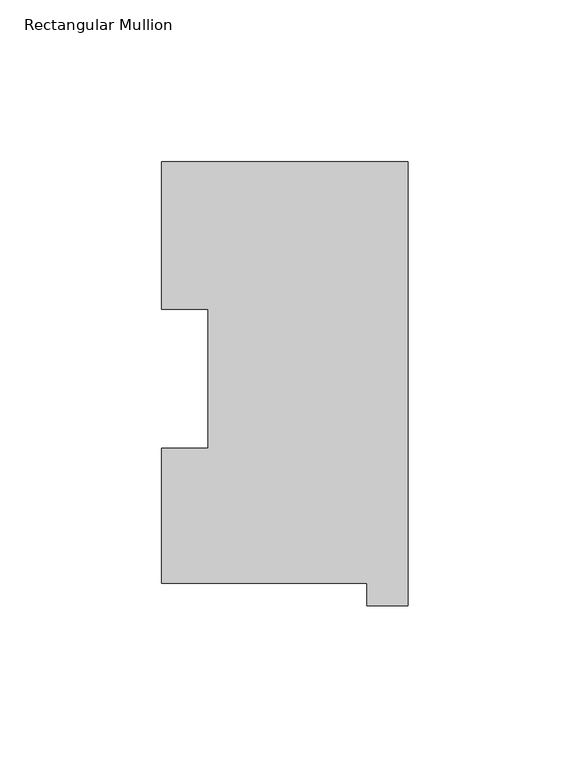
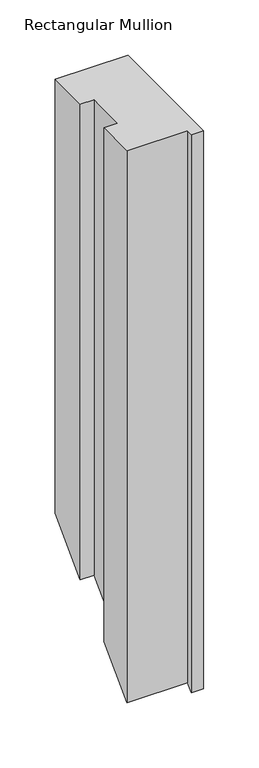
"""IFC4 building model written with IfcOpenShell, lengths in millimetres: member geometry, Rectangular Mullion."""

import ifcopenshell
import ifcopenshell.guid

model = None  # the IFC model being written
_history = None  # IfcOwnerHistory: only IFC2X3 demands one
_inside = {}  # id of a spatial element -> (the spatial element, [elements in it])
_under = {}  # id of a project, library or spatial element -> (it, [spatial elements below it])
_declared = {}  # id of a project -> (the project, [libraries it declares])
_typed = {}  # id of a type object -> (the type object, [elements of that type])
_made_of = {}  # id of a material, layer set ... -> (it, [elements and type objects made of it])


def new_model(schema):
    """Start an empty IFC model of exactly this schema.

    Asked for "IFC4X3", IfcOpenShell would pick the latest addendum, in which some entities
    have other attributes; the version numbers below select the first issue.
    IFC2X3 requires an IfcOwnerHistory on every rooted entity: one is made here for all.
    """
    global model, _history
    if schema == "IFC4X3":
        model = ifcopenshell.file(schema_version=(4, 3, 0, 0))
    else:
        model = ifcopenshell.file(schema=schema)
    _inside.clear()
    _under.clear()
    _declared.clear()
    _typed.clear()
    _made_of.clear()
    _history = None
    if model.schema == "IFC2X3":
        org = make("IfcOrganization", Name="unknown")
        user = make(
            "IfcPersonAndOrganization",
            ThePerson=make("IfcPerson", FamilyName="unknown"),
            TheOrganization=org,
        )
        app = make(
            "IfcApplication",
            ApplicationDeveloper=org,
            Version="unknown",
            ApplicationFullName="unknown",
            ApplicationIdentifier="unknown",
        )
        _history = make(
            "IfcOwnerHistory",
            OwningUser=user,
            OwningApplication=app,
            ChangeAction="ADDED",
            CreationDate=0,
        )
    return model


def make(cls, **values):
    """One entity of the class cls with the attributes given. An attribute that is None is left unset."""
    return model.create_entity(
        cls, **{name: value for name, value in values.items() if value is not None}
    )


def rooted(cls, **values):
    """An entity with a GlobalId (a new one), such as an element, a storey or a relation."""
    return make(cls, GlobalId=ifcopenshell.guid.new(), OwnerHistory=_history, **values)


def si_unit(unit_type, name, prefix=None):
    """IfcSIUnit, for example si_unit("LENGTHUNIT", "METRE", prefix="MILLI")."""
    return make("IfcSIUnit", UnitType=unit_type, Prefix=prefix, Name=name)


def assignment(units):
    """IfcUnitAssignment: the units of a project."""
    return None if units is None else make("IfcUnitAssignment", Units=units)


def point(xyz):
    """IfcCartesianPoint."""
    return None if xyz is None else make("IfcCartesianPoint", Coordinates=xyz)


def direction(xyz):
    """IfcDirection."""
    return None if xyz is None else make("IfcDirection", DirectionRatios=xyz)


def frame(location, z_axis=None, x_axis=None):
    """IfcAxis2Placement3D, a coordinate frame: its origin and axes. An axis left out is left unset."""
    return make(
        "IfcAxis2Placement3D",
        Location=point(location),
        Axis=direction(z_axis),
        RefDirection=direction(x_axis),
    )


def origin():
    """The frame at (0, 0, 0) with its axes left unset."""
    return frame((0.0, 0.0, 0.0))


def place(relative_to, where):
    """IfcLocalPlacement: puts the frame where relative to a parent placement (None: the world)."""
    return make(
        "IfcLocalPlacement", PlacementRelTo=relative_to, RelativePlacement=where
    )


def context(
    kind, dimensions, precision=None, world=None, true_north=None, identifier=None
):
    """IfcGeometricRepresentationContext, for example the 3D "Model" context."""
    return make(
        "IfcGeometricRepresentationContext",
        ContextIdentifier=identifier,
        ContextType=kind,
        CoordinateSpaceDimension=dimensions,
        Precision=precision,
        WorldCoordinateSystem=world,
        TrueNorth=true_north,
    )


def project(units=None, contexts=None):
    """IfcProject with its units and contexts."""
    return rooted(
        "IfcProject",
        Name="project",
        RepresentationContexts=contexts,
        UnitsInContext=assignment(units),
    )


def spatial(cls, under=None, at=None, **own):
    """A site, building, storey or space (cls), placed at a placement, below another one or the project."""
    s = rooted(cls, ObjectPlacement=at, **own)
    if under is not None:
        _under.setdefault(under.id(), (under, []))[1].append(s)
    return s


def faces_of(points, faces, orient=None, outer=None):
    """IfcFace entities. A face is a list of loops; a loop is a list of indices into points, from 0.

    orient and outer hold one flag for each loop. By default every Orientation is true, the
    first loop of a face is its IfcFaceOuterBound and the others are IfcFaceBound.
    """
    made = []
    for i, loops in enumerate(faces):
        bounds = []
        for j, loop in enumerate(loops):
            is_outer = j == 0 if outer is None else outer[i][j]
            bounds.append(
                make(
                    "IfcFaceOuterBound" if is_outer else "IfcFaceBound",
                    Bound=make("IfcPolyLoop", Polygon=[points[k] for k in loop]),
                    Orientation=True if orient is None else orient[i][j],
                )
            )
        made.append(make("IfcFace", Bounds=bounds))
    return made


def faceted_brep(points, faces, orient=None, outer=None, voids=None):
    """IfcFacetedBrep: a solid bounded by flat faces; with voids (closed shells), ...WithVoids."""
    shared = [point(p) for p in points]
    hull = make("IfcClosedShell", CfsFaces=faces_of(shared, faces, orient, outer))
    if voids is None:
        return make("IfcFacetedBrep", Outer=hull)
    return make(
        "IfcFacetedBrepWithVoids",
        Outer=hull,
        Voids=[
            make(cls, CfsFaces=faces_of(shared, fs, o, b)) for cls, fs, o, b in voids
        ],
    )


def shape(context_of_items, identifier, shape_type, items):
    """IfcShapeRepresentation: the items that make up one representation, for example the "Body"."""
    return make(
        "IfcShapeRepresentation",
        ContextOfItems=context_of_items,
        RepresentationIdentifier=identifier,
        RepresentationType=shape_type,
        Items=items,
    )


def source(mapping_origin, context_of_items, identifier, shape_type, items):
    """IfcRepresentationMap: a shape defined once, which mapped items show again and again."""
    return make(
        "IfcRepresentationMap",
        MappingOrigin=mapping_origin,
        MappedRepresentation=shape(context_of_items, identifier, shape_type, items),
    )


def transform(
    local_origin,
    x_axis=None,
    y_axis=None,
    z_axis=None,
    scale=None,
    scale2=None,
    scale3=None,
    uniform=True,
):
    """IfcCartesianTransformationOperator3D, or its non-uniform kind. x_axis, y_axis, z_axis: its Axis1, 2, 3."""
    if uniform:
        return make(
            "IfcCartesianTransformationOperator3D",
            Axis1=direction(x_axis),
            Axis2=direction(y_axis),
            LocalOrigin=point(local_origin),
            Scale=scale,
            Axis3=direction(z_axis),
        )
    return make(
        "IfcCartesianTransformationOperator3DnonUniform",
        Axis1=direction(x_axis),
        Axis2=direction(y_axis),
        LocalOrigin=point(local_origin),
        Scale=scale,
        Axis3=direction(z_axis),
        Scale2=scale2,
        Scale3=scale3,
    )


def mapped(mapping_source, mapping_target):
    """IfcMappedItem: shows the shape of a source again, moved by a transform."""
    return make(
        "IfcMappedItem", MappingSource=mapping_source, MappingTarget=mapping_target
    )


def made_of(thing, what):
    """Note that an element or type object is made of a material, layer set ...; save() writes the relation."""
    if what is not None:
        _made_of.setdefault(what.id(), (what, []))[1].append(thing)
    return thing


def element(
    cls,
    number,
    at=None,
    inside=None,
    cuts=None,
    type_object=None,
    material=None,
    context=None,
    identifier="Body",
    shape_type=None,
    held_by="IfcProductDefinitionShape",
    body=None,
    shapes=None,
    **own,
):
    """One element of the class cls, such as IfcWall. Its Tag is "e" and its number.

    at: its placement. inside: the storey or other place that contains it. cuts: it is an
    opening in that element (IfcRelVoidsElement). A single representation is given by context,
    identifier, shape_type and body (its items); several are given by shapes. held_by: the class
    of the entity that holds the representations. save() writes the other relations.
    """
    e = rooted(cls, Tag="e%d" % number, ObjectPlacement=at, **own)
    if body is not None:
        shapes = [shape(context, identifier, shape_type, body)]
    if shapes is not None:
        e.Representation = make(held_by, Representations=shapes)
    if inside is not None:
        _inside.setdefault(inside.id(), (inside, []))[1].append(e)
    if cuts is not None:
        rooted(
            "IfcRelVoidsElement", RelatingBuildingElement=cuts, RelatedOpeningElement=e
        )
    if type_object is not None:
        _typed.setdefault(type_object.id(), (type_object, []))[1].append(e)
    return made_of(e, material)


def aggregate(whole, parts):
    """IfcRelAggregates: a whole, such as a stair, and the parts it consists of."""
    return rooted("IfcRelAggregates", RelatingObject=whole, RelatedObjects=parts)


def save(model, path):
    """Write the relations noted so far, then the file.

    IfcRelAggregates (storeys below a building ...), IfcRelContainedInSpatialStructure (elements
    in a storey), IfcRelDefinesByType, IfcRelAssociatesMaterial and IfcRelDeclares: one each for
    every whole, place, type object, material and project.
    """
    for whole, parts in _under.values():
        aggregate(whole, parts)
    for where, things in _inside.values():
        rooted(
            "IfcRelContainedInSpatialStructure",
            RelatedElements=things,
            RelatingStructure=where,
        )
    for kind, things in _typed.values():
        rooted("IfcRelDefinesByType", RelatedObjects=things, RelatingType=kind)
    for what, things in _made_of.values():
        rooted("IfcRelAssociatesMaterial", RelatedObjects=things, RelatingMaterial=what)
    for by, libraries in _declared.values():
        rooted("IfcRelDeclares", RelatingContext=by, RelatedDefinitions=libraries)
    model.write(path)


def rectangular_mullion_62d26438(model_context):
    return source(origin(), model_context, "Body", "Brep", [
        faceted_brep([(-76.2, 130.2646937, 0.0), (-76.2, 84.6335938, 0.0), (-61.9101579, 84.6335938, 0.0), (-61.9101579, 41.7508474, 0.0), (-76.2, 41.7508474, 0.0), (-76.2, -0.0373063, 0.0), (-12.7, -0.0373063, 0.0), (-12.7, -6.9461063, 0.0), (0.0, -6.9461063, 0.0), (0.0, 130.2646937, 0.0), (-76.2, 130.2646937, -479.3353063), (-76.2, 84.6335938, -524.9664062), (-61.9101579, 84.6335938, -524.9664062), (-61.9101579, 41.7508474, -567.8491526), (-76.2, 41.7508474, -567.8491526), (-76.2, -0.0373063, -609.6373063), (-12.7, -0.0373063, -609.6373063), (-12.7, -6.9461063, -616.5461063), (0.0, -6.9461063, -616.5461063), (0.0, 130.2646937, -479.3353063)], [[[0, 1, 2, 3, 4, 5, 6, 7, 8, 9]], [[1, 0, 10, 11]], [[2, 1, 11, 12]], [[3, 2, 12, 13]], [[4, 3, 13, 14]], [[5, 4, 14, 15]], [[6, 5, 15, 16]], [[7, 6, 16, 17]], [[8, 7, 17, 18]], [[9, 8, 18, 19]], [[0, 9, 19, 10]], [[10, 19, 18, 17, 16, 15, 14, 13, 12, 11]]]),
    ])


if __name__ == "__main__":
    model = new_model("IFC4")
    model_context = context("Model", 3, world=origin())
    ifc_project = project(units=[si_unit("LENGTHUNIT", "METRE", prefix="MILLI")], contexts=[model_context])
    site = spatial("IfcSite", under=ifc_project)
    building = spatial("IfcBuilding", under=site)
    placement = place(None, origin())
    rectangular_mullion_shape = rectangular_mullion_62d26438(model_context)
    element("IfcMember", 1, ObjectType="Rectangular Mullion", at=placement, inside=building, context=model_context, shape_type="MappedRepresentation", body=[
        mapped(rectangular_mullion_shape, transform((0.0, 0.0, 0.0), x_axis=(1.0, 0.0, 0.0), y_axis=(0.0, 1.0, 0.0), z_axis=(0.0, 0.0, 1.0))),
    ])
    save(model, "model.ifc")
